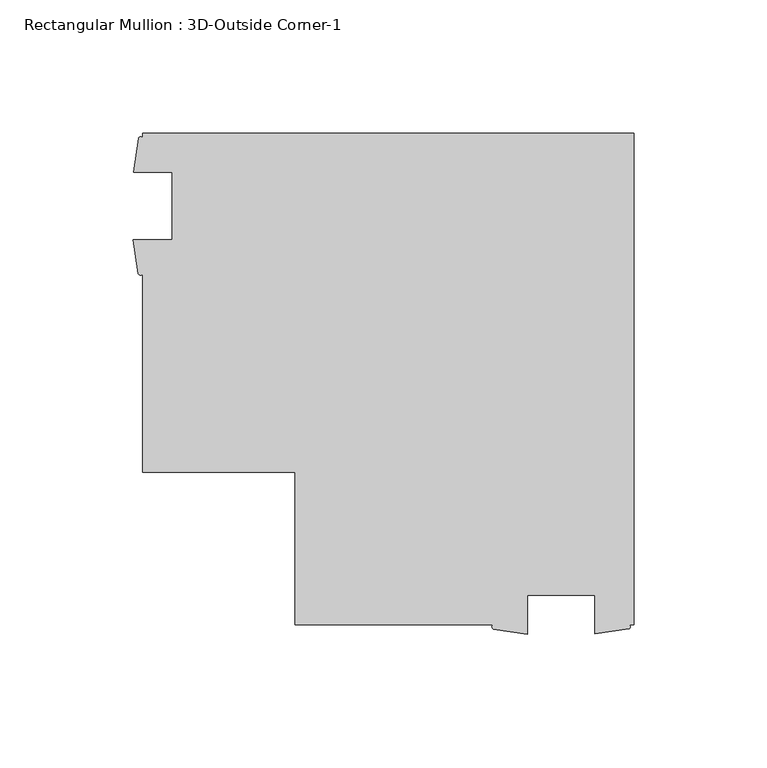
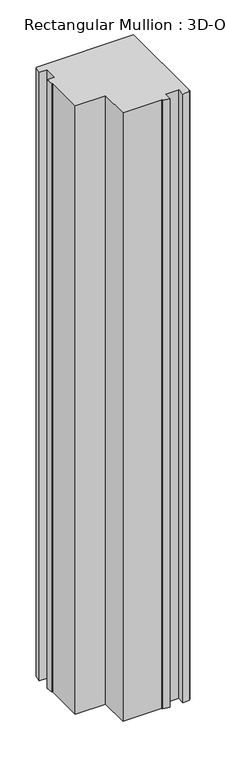
"""IFC4 building model written with IfcOpenShell, lengths in millimetres: member geometry, Rectangular Mullion : 3D-Outside Corner-1."""

from ifc_helpers import new_model, si_unit, point, frame, frame_2d, origin, place, context, project, spatial, polyline, circle_curve, trimmed, segment, composite_curve, outline, extrude, source, transform, mapped, element, save


def rectangular_mullion_3d_outside_corner_1_c55c01a8(model_context):
    return source(origin(), model_context, "Body", "SweptSolid", [
        extrude(outline(composite_curve([segment(polyline([(0.0, 53.975), (0.0, -130.175), (-1.7322375, -130.175)]), True, "CONTINUOUS"), segment(trimmed(circle_curve(frame_2d((-2.2266797, -130.9679481)), 0.934473), [point((-1.7322375, -130.175))], [point((-1.7322375, -131.7608963))], False, "CARTESIAN"), True, "CONTINUOUS"), segment(polyline([(-1.7322375, -131.7608963), (-14.503525, -133.571), (-14.503525, -119.0625), (-39.903525, -119.0625), (-39.903525, -133.6945217), (-52.6765778, -131.8384044)]), True, "CONTINUOUS"), segment(trimmed(circle_curve(frame_2d((-52.1290615, -131.0067022)), 0.9957423), [point((-52.6765778, -131.8384044))], [point((-52.6765778, -130.175))], False, "CARTESIAN"), True, "CONTINUOUS"), segment(polyline([(-52.6765778, -130.175), (-127.0, -130.175), (-127.0, -73.025), (-184.15, -73.025), (-184.15, 1.2984222)]), True, "CONTINUOUS"), segment(trimmed(circle_curve(frame_2d((-184.9817022, 1.8693214)), 1.0087886), [point((-184.15, 1.2984222))], [point((-185.8134044, 1.2984222))], False, "CARTESIAN"), True, "CONTINUOUS"), segment(polyline([(-185.8134044, 1.2984222), (-187.6695217, 14.071475), (-173.0375, 14.071475), (-173.0375, 39.471475), (-187.546, 39.471475), (-185.7358963, 52.2427625)]), True, "CONTINUOUS"), segment(trimmed(circle_curve(frame_2d((-184.9429481, 51.7179651)), 0.9508833), [point((-185.7358963, 52.2427625))], [point((-184.15, 52.2427625))], False, "CARTESIAN"), True, "CONTINUOUS"), segment(polyline([(-184.15, 52.2427625), (-184.15, 53.975), (0.0, 53.975)]), True, "CONTINUOUS")], self_intersect=False)), frame((0.0, 0.0, -1219.2), z_axis=(0.0, 0.0, 1.0), x_axis=(1.0, 0.0, 0.0)), (0.0, 0.0, 1.0), 1219.2),
    ])


if __name__ == "__main__":
    model = new_model("IFC4")
    model_context = context("Model", 3, world=origin())
    ifc_project = project(units=[si_unit("LENGTHUNIT", "METRE", prefix="MILLI")], contexts=[model_context])
    site = spatial("IfcSite", under=ifc_project)
    building = spatial("IfcBuilding", under=site)
    placement = place(None, origin())
    rectangular_mullion_3d_outside_corner_1_shape = rectangular_mullion_3d_outside_corner_1_c55c01a8(model_context)
    element("IfcMember", 1, ObjectType="Rectangular Mullion : 3D-Outside Corner-1", at=placement, inside=building, context=model_context, shape_type="MappedRepresentation", body=[
        mapped(rectangular_mullion_3d_outside_corner_1_shape, transform((0.0, 0.0, 0.0), x_axis=(1.0, 0.0, 0.0), y_axis=(0.0, 1.0, 0.0), z_axis=(0.0, 0.0, 1.0))),
    ])
    save(model, "model.ifc")
